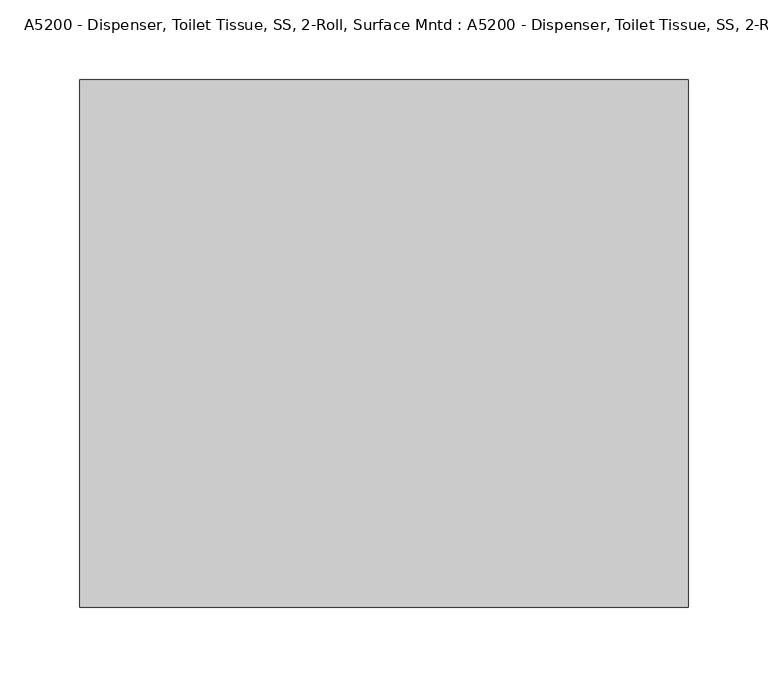
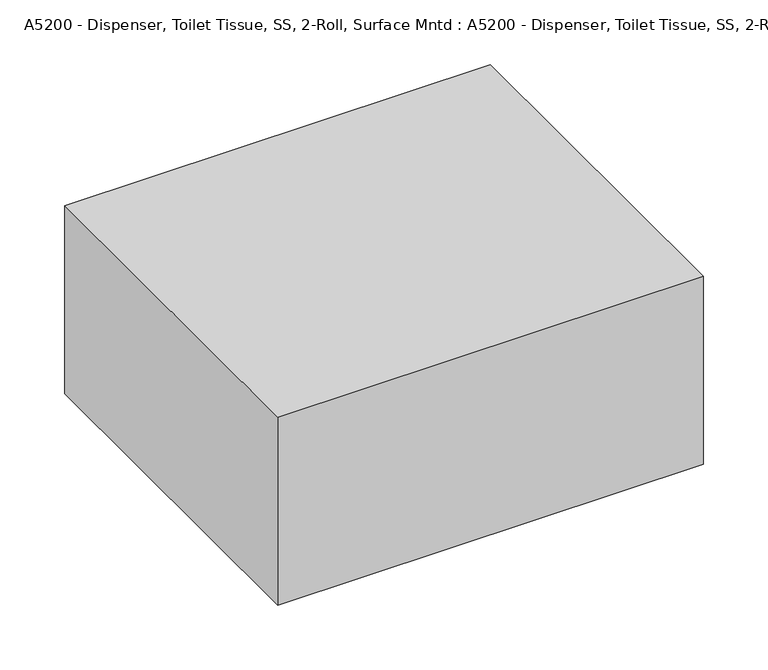
"""IFC4 building model written with IfcOpenShell, lengths in millimetres: proxy geometry, A5200 - Dispenser, Toilet Tissue, SS, 2-Roll, Surface Mntd : A5200 - Dispenser, Toilet Tissue, SS, 2-Roll, Surface Mntd."""

from ifc_helpers import new_model, si_unit, point, frame, frame_2d, origin, origin_with_axes, place, context, project, spatial, polyline, circle_curve, trimmed, segment, composite_curve, outline, extrude, source, transform, mapped, element, save


def a5200_dispenser_toilet_tissue_ss_2_roll_surface_mntd_a5200_cfddb10b(model_context):
    return source(origin(), model_context, "Body", "SweptSolid", [
        extrude(outline(polyline([(190.5, 0.0), (190.5, -330.2), (-190.5, -330.2), (-190.5, 0.0), (190.5, 0.0)])), origin_with_axes(), (0.0, 0.0, 1.0), 177.8),
        extrude(outline(composite_curve([segment(trimmed(circle_curve(frame_2d((0.0, -13.382926)), 13.382926), [point((0.0, -26.765852))], [point((0.0, 0.0))], False, "CARTESIAN"), True, "CONTINUOUS"), segment(trimmed(circle_curve(frame_2d((0.0, -13.382926)), 13.382926), [point((0.0, 0.0))], [point((0.0, -26.765852))], False, "CARTESIAN"), True, "CONTINUOUS")], self_intersect=False)), frame((14.2875, -75.517074, 105.1171268), z_axis=(1.0, 1.020266240683039e-12, 0.0), x_axis=(0.0, 0.0, -1.0)), (0.0, 0.0, 1.0), 138.1125),
        extrude(outline(composite_curve([segment(trimmed(circle_curve(frame_2d((0.0, -1.8851296)), 1.8851296), [point((0.0, -3.7702592))], [point((0.0, 0.0))], False, "CARTESIAN"), True, "CONTINUOUS"), segment(trimmed(circle_curve(frame_2d((0.0, -1.8851296)), 1.8851296), [point((0.0, 0.0))], [point((0.0, -3.7702592))], False, "CARTESIAN"), True, "CONTINUOUS")], self_intersect=False)), frame((14.2875, -88.9, 107.0022564), z_axis=(1.0, 1.018725182543629e-12, 0.0), x_axis=(-1.018725182543629e-12, 1.0, 0.0)), (0.0, 0.0, 1.0), 138.1125),
        extrude(outline(composite_curve([segment(trimmed(circle_curve(frame_2d((0.0, -13.382926)), 13.382926), [point((0.0, -26.765852))], [point((0.0, 0.0))], False, "CARTESIAN"), True, "CONTINUOUS"), segment(trimmed(circle_curve(frame_2d((0.0, -13.382926)), 13.382926), [point((0.0, 0.0))], [point((0.0, -26.765852))], False, "CARTESIAN"), True, "CONTINUOUS")], self_intersect=False)), frame((-152.4, -75.517074, 105.1171268), z_axis=(1.0, 1.0170616637688368e-12, 0.0), x_axis=(0.0, 0.0, -1.0)), (0.0, 0.0, 1.0), 138.1125),
        extrude(outline(polyline([(0.0, -12.7), (165.1, -12.7), (165.1, -127.2036203), (0.0, -127.2036203), (0.0, -12.7)])), origin_with_axes(), (0.0, 0.0, 1.0), 3.175),
        extrude(outline(polyline([(-114.5036203, 0.0), (0.0, 0.0), (0.0, -7.9375), (-12.7, -7.9375), (-33.2613189, -120.65), (-114.5036203, -120.65), (-114.5036203, 0.0)])), frame((0.0, -127.2036203, 0.0), z_axis=(1.0, 1.020266240683039e-12, 0.0), x_axis=(1.020266240683039e-12, -1.0, 0.0)), (0.0, 0.0, 1.0), 14.2875),
        extrude(outline(polyline([(-114.5036203, 0.0), (0.0, 0.0), (0.0, -7.9375), (-12.7, -7.9375), (-33.2613189, -120.65), (-114.5036203, -120.65), (-114.5036203, 0.0)])), frame((152.4, -127.2036203, 0.0), z_axis=(1.0, 1.020266240683039e-12, 0.0), x_axis=(1.020266240683039e-12, -1.0, 0.0)), (0.0, 0.0, 1.0), 12.7),
        extrude(outline(composite_curve([segment(trimmed(circle_curve(frame_2d((0.0, -1.8851296)), 1.8851296), [point((0.0, -3.7702592))], [point((0.0, 0.0))], False, "CARTESIAN"), True, "CONTINUOUS"), segment(trimmed(circle_curve(frame_2d((0.0, -1.8851296)), 1.8851296), [point((0.0, 0.0))], [point((0.0, -3.7702592))], False, "CARTESIAN"), True, "CONTINUOUS")], self_intersect=False)), frame((-152.4, -88.9, 107.0022564), z_axis=(1.0, 1.0186027219082467e-12, 0.0), x_axis=(-1.0186027219082467e-12, 1.0, 0.0)), (0.0, 0.0, 1.0), 138.1125),
        extrude(outline(polyline([(0.0, -12.7), (0.0, -127.2036203), (-165.1, -127.2036203), (-165.1, -12.7), (0.0, -12.7)])), origin_with_axes(), (0.0, 0.0, 1.0), 3.175),
        extrude(outline(polyline([(0.0, 0.0), (0.0, -114.5036203), (-7.9375, -114.5036203), (-7.9375, -101.8036203), (-120.65, -81.2423014), (-120.65, 0.0), (0.0, 0.0)])), frame((-14.2875, -12.7, 0.0), z_axis=(1.0, 1.0170616637688368e-12, 0.0), x_axis=(0.0, 0.0, -1.0)), (0.0, 0.0, 1.0), 14.2875),
        extrude(outline(polyline([(0.0, 0.0), (0.0, -114.5036203), (-7.9375, -114.5036203), (-7.9375, -101.8036203), (-120.65, -81.2423014), (-120.65, 0.0), (0.0, 0.0)])), frame((-165.1, -12.7, 0.0), z_axis=(1.0, 1.0170616637688368e-12, 0.0), x_axis=(0.0, 0.0, -1.0)), (0.0, 0.0, 1.0), 12.7),
    ])


if __name__ == "__main__":
    model = new_model("IFC4")
    model_context = context("Model", 3, world=origin())
    ifc_project = project(units=[si_unit("LENGTHUNIT", "METRE", prefix="MILLI")], contexts=[model_context])
    site = spatial("IfcSite", under=ifc_project)
    building = spatial("IfcBuilding", under=site)
    placement = place(None, origin())
    a5200_dispenser_toilet_tissue_ss_2_roll_surface_mntd_a5200_shape = a5200_dispenser_toilet_tissue_ss_2_roll_surface_mntd_a5200_cfddb10b(model_context)
    element("IfcBuildingElementProxy", 1, Name="A5200 - Dispenser, Toilet Tissue, SS, 2-Roll, Surface Mntd : A5200 - Dispenser, Toilet Tissue, SS, 2-Roll, Surface Mntd", ObjectType="A5200 - Dispenser, Toilet Tissue, SS, 2-Roll, Surface Mntd : A5200 - Dispenser, Toilet Tissue, SS, 2-Roll, Surface Mntd", at=placement, inside=building, context=model_context, shape_type="MappedRepresentation", body=[
        mapped(a5200_dispenser_toilet_tissue_ss_2_roll_surface_mntd_a5200_shape, transform((0.0, 0.0, 0.0), x_axis=(1.0, 0.0, 0.0), y_axis=(0.0, 1.0, 0.0), z_axis=(0.0, 0.0, 1.0))),
    ])
    save(model, "model.ifc")
